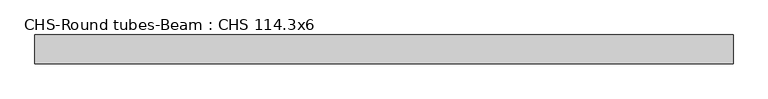
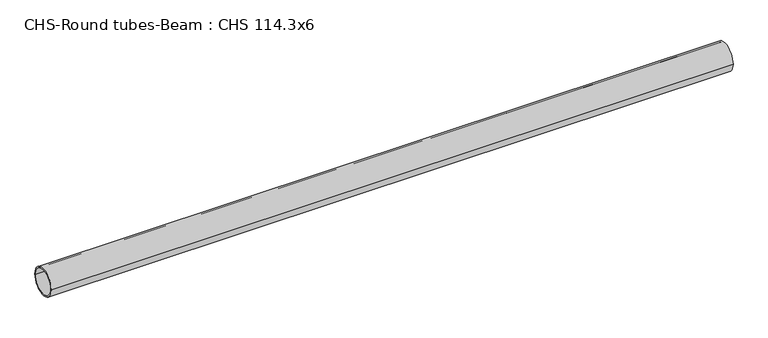
"""IFC4 building model written with IfcOpenShell, lengths in millimetres: beam geometry, CHS-Round tubes-Beam : CHS 114.3x6."""

import ifcopenshell
import ifcopenshell.guid

model = None  # the IFC model being written
_history = None  # IfcOwnerHistory: only IFC2X3 demands one
_inside = {}  # id of a spatial element -> (the spatial element, [elements in it])
_under = {}  # id of a project, library or spatial element -> (it, [spatial elements below it])
_declared = {}  # id of a project -> (the project, [libraries it declares])
_typed = {}  # id of a type object -> (the type object, [elements of that type])
_made_of = {}  # id of a material, layer set ... -> (it, [elements and type objects made of it])


def new_model(schema):
    """Start an empty IFC model of exactly this schema.

    Asked for "IFC4X3", IfcOpenShell would pick the latest addendum, in which some entities
    have other attributes; the version numbers below select the first issue.
    IFC2X3 requires an IfcOwnerHistory on every rooted entity: one is made here for all.
    """
    global model, _history
    if schema == "IFC4X3":
        model = ifcopenshell.file(schema_version=(4, 3, 0, 0))
    else:
        model = ifcopenshell.file(schema=schema)
    _inside.clear()
    _under.clear()
    _declared.clear()
    _typed.clear()
    _made_of.clear()
    _history = None
    if model.schema == "IFC2X3":
        org = make("IfcOrganization", Name="unknown")
        user = make(
            "IfcPersonAndOrganization",
            ThePerson=make("IfcPerson", FamilyName="unknown"),
            TheOrganization=org,
        )
        app = make(
            "IfcApplication",
            ApplicationDeveloper=org,
            Version="unknown",
            ApplicationFullName="unknown",
            ApplicationIdentifier="unknown",
        )
        _history = make(
            "IfcOwnerHistory",
            OwningUser=user,
            OwningApplication=app,
            ChangeAction="ADDED",
            CreationDate=0,
        )
    return model


def make(cls, **values):
    """One entity of the class cls with the attributes given. An attribute that is None is left unset."""
    return model.create_entity(
        cls, **{name: value for name, value in values.items() if value is not None}
    )


def rooted(cls, **values):
    """An entity with a GlobalId (a new one), such as an element, a storey or a relation."""
    return make(cls, GlobalId=ifcopenshell.guid.new(), OwnerHistory=_history, **values)


def si_unit(unit_type, name, prefix=None):
    """IfcSIUnit, for example si_unit("LENGTHUNIT", "METRE", prefix="MILLI")."""
    return make("IfcSIUnit", UnitType=unit_type, Prefix=prefix, Name=name)


def assignment(units):
    """IfcUnitAssignment: the units of a project."""
    return None if units is None else make("IfcUnitAssignment", Units=units)


def point(xyz):
    """IfcCartesianPoint."""
    return None if xyz is None else make("IfcCartesianPoint", Coordinates=xyz)


def direction(xyz):
    """IfcDirection."""
    return None if xyz is None else make("IfcDirection", DirectionRatios=xyz)


def frame(location, z_axis=None, x_axis=None):
    """IfcAxis2Placement3D, a coordinate frame: its origin and axes. An axis left out is left unset."""
    return make(
        "IfcAxis2Placement3D",
        Location=point(location),
        Axis=direction(z_axis),
        RefDirection=direction(x_axis),
    )


def frame_2d(location, x_axis=None):
    """IfcAxis2Placement2D, a coordinate frame in the plane: its origin and x axis."""
    return make(
        "IfcAxis2Placement2D", Location=point(location), RefDirection=direction(x_axis)
    )


def origin():
    """The frame at (0, 0, 0) with its axes left unset."""
    return frame((0.0, 0.0, 0.0))


def origin_2d():
    """The frame at (0, 0) in the plane with its x axis left unset."""
    return frame_2d((0.0, 0.0))


def place(relative_to, where):
    """IfcLocalPlacement: puts the frame where relative to a parent placement (None: the world)."""
    return make(
        "IfcLocalPlacement", PlacementRelTo=relative_to, RelativePlacement=where
    )


def context(
    kind, dimensions, precision=None, world=None, true_north=None, identifier=None
):
    """IfcGeometricRepresentationContext, for example the 3D "Model" context."""
    return make(
        "IfcGeometricRepresentationContext",
        ContextIdentifier=identifier,
        ContextType=kind,
        CoordinateSpaceDimension=dimensions,
        Precision=precision,
        WorldCoordinateSystem=world,
        TrueNorth=true_north,
    )


def project(units=None, contexts=None):
    """IfcProject with its units and contexts."""
    return rooted(
        "IfcProject",
        Name="project",
        RepresentationContexts=contexts,
        UnitsInContext=assignment(units),
    )


def spatial(cls, under=None, at=None, **own):
    """A site, building, storey or space (cls), placed at a placement, below another one or the project."""
    s = rooted(cls, ObjectPlacement=at, **own)
    if under is not None:
        _under.setdefault(under.id(), (under, []))[1].append(s)
    return s


def circle_curve(where, radius):
    """IfcCircle in the frame where."""
    return make("IfcCircle", Position=where, Radius=radius)


def trimmed(basis, trim1, trim2, sense, master):
    """IfcTrimmedCurve: the piece of a basis curve between two trims."""
    return make(
        "IfcTrimmedCurve",
        BasisCurve=basis,
        Trim1=trim1,
        Trim2=trim2,
        SenseAgreement=sense,
        MasterRepresentation=master,
    )


def segment(curve, same_sense, transition):
    """IfcCompositeCurveSegment."""
    return make(
        "IfcCompositeCurveSegment",
        Transition=transition,
        SameSense=same_sense,
        ParentCurve=curve,
    )


def composite_curve(segments, self_intersect=None):
    """IfcCompositeCurve: segments joined end to end."""
    return make("IfcCompositeCurve", Segments=segments, SelfIntersect=self_intersect)


def outline(outer, holes=None, kind="AREA"):
    """IfcArbitraryClosedProfileDef: a profile drawn as a closed curve; with holes, ...WithVoids."""
    if holes is None:
        return make("IfcArbitraryClosedProfileDef", ProfileType=kind, OuterCurve=outer)
    return make(
        "IfcArbitraryProfileDefWithVoids",
        ProfileType=kind,
        OuterCurve=outer,
        InnerCurves=holes,
    )


def extrude(swept, where, along, depth):
    """IfcExtrudedAreaSolid: the profile swept, set in the frame where, extruded along a direction by depth."""
    return make(
        "IfcExtrudedAreaSolid",
        SweptArea=swept,
        Position=where,
        ExtrudedDirection=direction(along),
        Depth=depth,
    )


def shape(context_of_items, identifier, shape_type, items):
    """IfcShapeRepresentation: the items that make up one representation, for example the "Body"."""
    return make(
        "IfcShapeRepresentation",
        ContextOfItems=context_of_items,
        RepresentationIdentifier=identifier,
        RepresentationType=shape_type,
        Items=items,
    )


def source(mapping_origin, context_of_items, identifier, shape_type, items):
    """IfcRepresentationMap: a shape defined once, which mapped items show again and again."""
    return make(
        "IfcRepresentationMap",
        MappingOrigin=mapping_origin,
        MappedRepresentation=shape(context_of_items, identifier, shape_type, items),
    )


def transform(
    local_origin,
    x_axis=None,
    y_axis=None,
    z_axis=None,
    scale=None,
    scale2=None,
    scale3=None,
    uniform=True,
):
    """IfcCartesianTransformationOperator3D, or its non-uniform kind. x_axis, y_axis, z_axis: its Axis1, 2, 3."""
    if uniform:
        return make(
            "IfcCartesianTransformationOperator3D",
            Axis1=direction(x_axis),
            Axis2=direction(y_axis),
            LocalOrigin=point(local_origin),
            Scale=scale,
            Axis3=direction(z_axis),
        )
    return make(
        "IfcCartesianTransformationOperator3DnonUniform",
        Axis1=direction(x_axis),
        Axis2=direction(y_axis),
        LocalOrigin=point(local_origin),
        Scale=scale,
        Axis3=direction(z_axis),
        Scale2=scale2,
        Scale3=scale3,
    )


def mapped(mapping_source, mapping_target):
    """IfcMappedItem: shows the shape of a source again, moved by a transform."""
    return make(
        "IfcMappedItem", MappingSource=mapping_source, MappingTarget=mapping_target
    )


def made_of(thing, what):
    """Note that an element or type object is made of a material, layer set ...; save() writes the relation."""
    if what is not None:
        _made_of.setdefault(what.id(), (what, []))[1].append(thing)
    return thing


def element(
    cls,
    number,
    at=None,
    inside=None,
    cuts=None,
    type_object=None,
    material=None,
    context=None,
    identifier="Body",
    shape_type=None,
    held_by="IfcProductDefinitionShape",
    body=None,
    shapes=None,
    **own,
):
    """One element of the class cls, such as IfcWall. Its Tag is "e" and its number.

    at: its placement. inside: the storey or other place that contains it. cuts: it is an
    opening in that element (IfcRelVoidsElement). A single representation is given by context,
    identifier, shape_type and body (its items); several are given by shapes. held_by: the class
    of the entity that holds the representations. save() writes the other relations.
    """
    e = rooted(cls, Tag="e%d" % number, ObjectPlacement=at, **own)
    if body is not None:
        shapes = [shape(context, identifier, shape_type, body)]
    if shapes is not None:
        e.Representation = make(held_by, Representations=shapes)
    if inside is not None:
        _inside.setdefault(inside.id(), (inside, []))[1].append(e)
    if cuts is not None:
        rooted(
            "IfcRelVoidsElement", RelatingBuildingElement=cuts, RelatedOpeningElement=e
        )
    if type_object is not None:
        _typed.setdefault(type_object.id(), (type_object, []))[1].append(e)
    return made_of(e, material)


def aggregate(whole, parts):
    """IfcRelAggregates: a whole, such as a stair, and the parts it consists of."""
    return rooted("IfcRelAggregates", RelatingObject=whole, RelatedObjects=parts)


def save(model, path):
    """Write the relations noted so far, then the file.

    IfcRelAggregates (storeys below a building ...), IfcRelContainedInSpatialStructure (elements
    in a storey), IfcRelDefinesByType, IfcRelAssociatesMaterial and IfcRelDeclares: one each for
    every whole, place, type object, material and project.
    """
    for whole, parts in _under.values():
        aggregate(whole, parts)
    for where, things in _inside.values():
        rooted(
            "IfcRelContainedInSpatialStructure",
            RelatedElements=things,
            RelatingStructure=where,
        )
    for kind, things in _typed.values():
        rooted("IfcRelDefinesByType", RelatedObjects=things, RelatingType=kind)
    for what, things in _made_of.values():
        rooted("IfcRelAssociatesMaterial", RelatedObjects=things, RelatingMaterial=what)
    for by, libraries in _declared.values():
        rooted("IfcRelDeclares", RelatingContext=by, RelatedDefinitions=libraries)
    model.write(path)


def chs_round_tubes_beam_chs_114_3x6_aa17a807(model_context):
    return source(origin(), model_context, "Body", "SweptSolid", [
        extrude(outline(composite_curve([segment(trimmed(circle_curve(origin_2d(), 57.15), [point((57.15, 0.0))], [point((-57.15, 0.0))], False, "CARTESIAN"), True, "CONTINUOUS"), segment(trimmed(circle_curve(origin_2d(), 57.15), [point((-57.15, 0.0))], [point((57.15, 0.0))], False, "CARTESIAN"), True, "CONTINUOUS")], self_intersect=False), holes=[composite_curve([segment(trimmed(circle_curve(origin_2d(), 51.15), [point((51.15, 0.0))], [point((-51.15, 0.0))], True, "CARTESIAN"), True, "CONTINUOUS"), segment(trimmed(circle_curve(origin_2d(), 51.15), [point((-51.15, 0.0))], [point((51.15, 0.0))], True, "CARTESIAN"), True, "CONTINUOUS")], self_intersect=False)]), frame((-1339.580893, 0.0, 0.0), z_axis=(1.0, 0.0, 0.0), x_axis=(0.0, 1.0, 0.0)), (0.0, 0.0, 1.0), 2769.9535521),
    ])


if __name__ == "__main__":
    model = new_model("IFC4")
    model_context = context("Model", 3, world=origin())
    ifc_project = project(units=[si_unit("LENGTHUNIT", "METRE", prefix="MILLI")], contexts=[model_context])
    site = spatial("IfcSite", under=ifc_project)
    building = spatial("IfcBuilding", under=site)
    placement = place(None, origin())
    chs_round_tubes_beam_chs_114_3x6_shape = chs_round_tubes_beam_chs_114_3x6_aa17a807(model_context)
    element("IfcBeam", 1, ObjectType="CHS-Round tubes-Beam : CHS 114.3x6", at=placement, inside=building, context=model_context, shape_type="MappedRepresentation", body=[
        mapped(chs_round_tubes_beam_chs_114_3x6_shape, transform((0.0, 0.0, 0.0), x_axis=(1.0, 0.0, 0.0), y_axis=(0.0, 1.0, 0.0), z_axis=(0.0, 0.0, 1.0))),
    ])
    save(model, "model.ifc")
